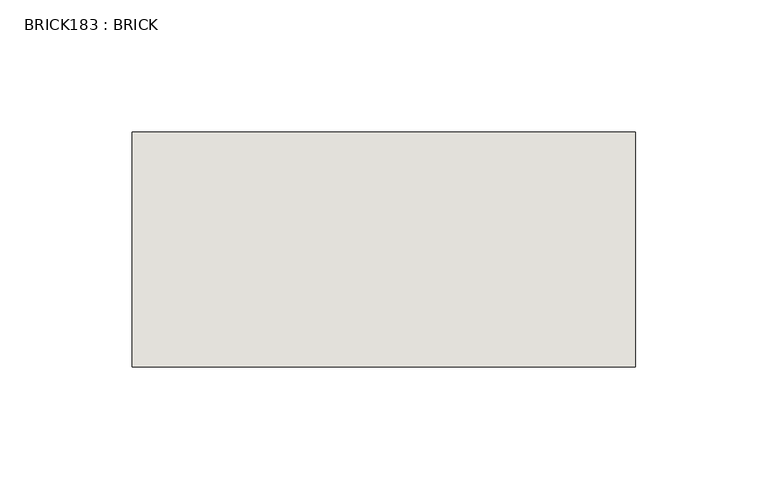
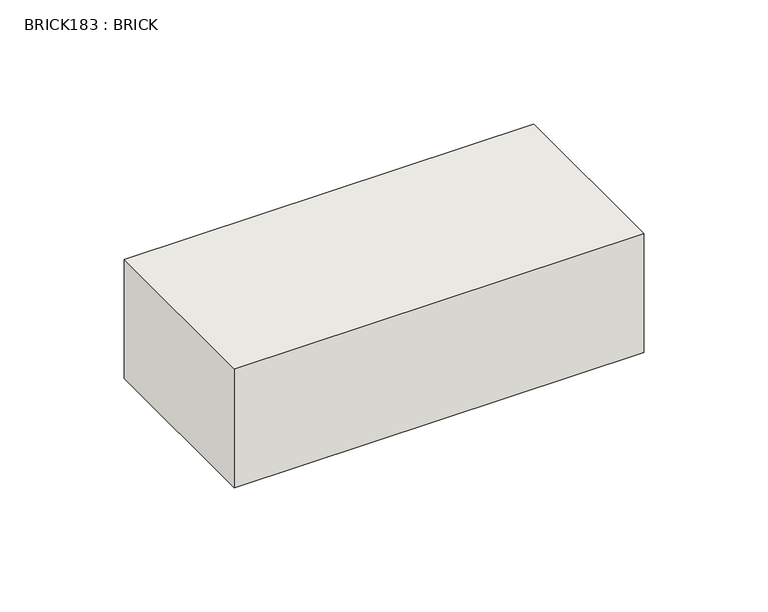
"""IFC4 building model written with IfcOpenShell, lengths in millimetres: wall geometry, BRICK183 : BRICK."""

import ifcopenshell
import ifcopenshell.guid

model = None  # the IFC model being written
_history = None  # IfcOwnerHistory: only IFC2X3 demands one
_inside = {}  # id of a spatial element -> (the spatial element, [elements in it])
_under = {}  # id of a project, library or spatial element -> (it, [spatial elements below it])
_declared = {}  # id of a project -> (the project, [libraries it declares])
_typed = {}  # id of a type object -> (the type object, [elements of that type])
_made_of = {}  # id of a material, layer set ... -> (it, [elements and type objects made of it])


def new_model(schema):
    """Start an empty IFC model of exactly this schema.

    Asked for "IFC4X3", IfcOpenShell would pick the latest addendum, in which some entities
    have other attributes; the version numbers below select the first issue.
    IFC2X3 requires an IfcOwnerHistory on every rooted entity: one is made here for all.
    """
    global model, _history
    if schema == "IFC4X3":
        model = ifcopenshell.file(schema_version=(4, 3, 0, 0))
    else:
        model = ifcopenshell.file(schema=schema)
    _inside.clear()
    _under.clear()
    _declared.clear()
    _typed.clear()
    _made_of.clear()
    _history = None
    if model.schema == "IFC2X3":
        org = make("IfcOrganization", Name="unknown")
        user = make(
            "IfcPersonAndOrganization",
            ThePerson=make("IfcPerson", FamilyName="unknown"),
            TheOrganization=org,
        )
        app = make(
            "IfcApplication",
            ApplicationDeveloper=org,
            Version="unknown",
            ApplicationFullName="unknown",
            ApplicationIdentifier="unknown",
        )
        _history = make(
            "IfcOwnerHistory",
            OwningUser=user,
            OwningApplication=app,
            ChangeAction="ADDED",
            CreationDate=0,
        )
    return model


def make(cls, **values):
    """One entity of the class cls with the attributes given. An attribute that is None is left unset."""
    return model.create_entity(
        cls, **{name: value for name, value in values.items() if value is not None}
    )


def rooted(cls, **values):
    """An entity with a GlobalId (a new one), such as an element, a storey or a relation."""
    return make(cls, GlobalId=ifcopenshell.guid.new(), OwnerHistory=_history, **values)


def si_unit(unit_type, name, prefix=None):
    """IfcSIUnit, for example si_unit("LENGTHUNIT", "METRE", prefix="MILLI")."""
    return make("IfcSIUnit", UnitType=unit_type, Prefix=prefix, Name=name)


def assignment(units):
    """IfcUnitAssignment: the units of a project."""
    return None if units is None else make("IfcUnitAssignment", Units=units)


def point(xyz):
    """IfcCartesianPoint."""
    return None if xyz is None else make("IfcCartesianPoint", Coordinates=xyz)


def direction(xyz):
    """IfcDirection."""
    return None if xyz is None else make("IfcDirection", DirectionRatios=xyz)


def frame(location, z_axis=None, x_axis=None):
    """IfcAxis2Placement3D, a coordinate frame: its origin and axes. An axis left out is left unset."""
    return make(
        "IfcAxis2Placement3D",
        Location=point(location),
        Axis=direction(z_axis),
        RefDirection=direction(x_axis),
    )


def origin():
    """The frame at (0, 0, 0) with its axes left unset."""
    return frame((0.0, 0.0, 0.0))


def place(relative_to, where):
    """IfcLocalPlacement: puts the frame where relative to a parent placement (None: the world)."""
    return make(
        "IfcLocalPlacement", PlacementRelTo=relative_to, RelativePlacement=where
    )


def context(
    kind, dimensions, precision=None, world=None, true_north=None, identifier=None
):
    """IfcGeometricRepresentationContext, for example the 3D "Model" context."""
    return make(
        "IfcGeometricRepresentationContext",
        ContextIdentifier=identifier,
        ContextType=kind,
        CoordinateSpaceDimension=dimensions,
        Precision=precision,
        WorldCoordinateSystem=world,
        TrueNorth=true_north,
    )


def project(units=None, contexts=None):
    """IfcProject with its units and contexts."""
    return rooted(
        "IfcProject",
        Name="project",
        RepresentationContexts=contexts,
        UnitsInContext=assignment(units),
    )


def spatial(cls, under=None, at=None, **own):
    """A site, building, storey or space (cls), placed at a placement, below another one or the project."""
    s = rooted(cls, ObjectPlacement=at, **own)
    if under is not None:
        _under.setdefault(under.id(), (under, []))[1].append(s)
    return s


def polyline(points):
    """IfcPolyline through the points."""
    return make("IfcPolyline", Points=[point(p) for p in points])


def outline(outer, holes=None, kind="AREA"):
    """IfcArbitraryClosedProfileDef: a profile drawn as a closed curve; with holes, ...WithVoids."""
    if holes is None:
        return make("IfcArbitraryClosedProfileDef", ProfileType=kind, OuterCurve=outer)
    return make(
        "IfcArbitraryProfileDefWithVoids",
        ProfileType=kind,
        OuterCurve=outer,
        InnerCurves=holes,
    )


def extrude(swept, where, along, depth):
    """IfcExtrudedAreaSolid: the profile swept, set in the frame where, extruded along a direction by depth."""
    return make(
        "IfcExtrudedAreaSolid",
        SweptArea=swept,
        Position=where,
        ExtrudedDirection=direction(along),
        Depth=depth,
    )


def shape(context_of_items, identifier, shape_type, items):
    """IfcShapeRepresentation: the items that make up one representation, for example the "Body"."""
    return make(
        "IfcShapeRepresentation",
        ContextOfItems=context_of_items,
        RepresentationIdentifier=identifier,
        RepresentationType=shape_type,
        Items=items,
    )


def source(mapping_origin, context_of_items, identifier, shape_type, items):
    """IfcRepresentationMap: a shape defined once, which mapped items show again and again."""
    return make(
        "IfcRepresentationMap",
        MappingOrigin=mapping_origin,
        MappedRepresentation=shape(context_of_items, identifier, shape_type, items),
    )


def transform(
    local_origin,
    x_axis=None,
    y_axis=None,
    z_axis=None,
    scale=None,
    scale2=None,
    scale3=None,
    uniform=True,
):
    """IfcCartesianTransformationOperator3D, or its non-uniform kind. x_axis, y_axis, z_axis: its Axis1, 2, 3."""
    if uniform:
        return make(
            "IfcCartesianTransformationOperator3D",
            Axis1=direction(x_axis),
            Axis2=direction(y_axis),
            LocalOrigin=point(local_origin),
            Scale=scale,
            Axis3=direction(z_axis),
        )
    return make(
        "IfcCartesianTransformationOperator3DnonUniform",
        Axis1=direction(x_axis),
        Axis2=direction(y_axis),
        LocalOrigin=point(local_origin),
        Scale=scale,
        Axis3=direction(z_axis),
        Scale2=scale2,
        Scale3=scale3,
    )


def mapped(mapping_source, mapping_target):
    """IfcMappedItem: shows the shape of a source again, moved by a transform."""
    return make(
        "IfcMappedItem", MappingSource=mapping_source, MappingTarget=mapping_target
    )


def made_of(thing, what):
    """Note that an element or type object is made of a material, layer set ...; save() writes the relation."""
    if what is not None:
        _made_of.setdefault(what.id(), (what, []))[1].append(thing)
    return thing


def element(
    cls,
    number,
    at=None,
    inside=None,
    cuts=None,
    type_object=None,
    material=None,
    context=None,
    identifier="Body",
    shape_type=None,
    held_by="IfcProductDefinitionShape",
    body=None,
    shapes=None,
    **own,
):
    """One element of the class cls, such as IfcWall. Its Tag is "e" and its number.

    at: its placement. inside: the storey or other place that contains it. cuts: it is an
    opening in that element (IfcRelVoidsElement). A single representation is given by context,
    identifier, shape_type and body (its items); several are given by shapes. held_by: the class
    of the entity that holds the representations. save() writes the other relations.
    """
    e = rooted(cls, Tag="e%d" % number, ObjectPlacement=at, **own)
    if body is not None:
        shapes = [shape(context, identifier, shape_type, body)]
    if shapes is not None:
        e.Representation = make(held_by, Representations=shapes)
    if inside is not None:
        _inside.setdefault(inside.id(), (inside, []))[1].append(e)
    if cuts is not None:
        rooted(
            "IfcRelVoidsElement", RelatingBuildingElement=cuts, RelatedOpeningElement=e
        )
    if type_object is not None:
        _typed.setdefault(type_object.id(), (type_object, []))[1].append(e)
    return made_of(e, material)


def aggregate(whole, parts):
    """IfcRelAggregates: a whole, such as a stair, and the parts it consists of."""
    return rooted("IfcRelAggregates", RelatingObject=whole, RelatedObjects=parts)


def save(model, path):
    """Write the relations noted so far, then the file.

    IfcRelAggregates (storeys below a building ...), IfcRelContainedInSpatialStructure (elements
    in a storey), IfcRelDefinesByType, IfcRelAssociatesMaterial and IfcRelDeclares: one each for
    every whole, place, type object, material and project.
    """
    for whole, parts in _under.values():
        aggregate(whole, parts)
    for where, things in _inside.values():
        rooted(
            "IfcRelContainedInSpatialStructure",
            RelatedElements=things,
            RelatingStructure=where,
        )
    for kind, things in _typed.values():
        rooted("IfcRelDefinesByType", RelatedObjects=things, RelatingType=kind)
    for what, things in _made_of.values():
        rooted("IfcRelAssociatesMaterial", RelatedObjects=things, RelatingMaterial=what)
    for by, libraries in _declared.values():
        rooted("IfcRelDeclares", RelatingContext=by, RelatedDefinitions=libraries)
    model.write(path)


def brick183_brick_ed59ea63(model_context):
    return source(origin(), model_context, "Body", "SweptSolid", [
        extrude(outline(polyline([(-362.3316239, 3062.3923312), (-171.8316239, 3062.3923312), (-171.8316239, 2973.4923312), (-362.3316239, 2973.4923312), (-362.3316239, 3062.3923312)])), frame((0.0, 0.0, 353.7148438), z_axis=(0.0, 0.0, 1.0), x_axis=(1.0, 0.0, 0.0)), (0.0, 0.0, 1.0), 58.4398437),
    ])


if __name__ == "__main__":
    model = new_model("IFC4")
    model_context = context("Model", 3, world=origin())
    ifc_project = project(units=[si_unit("LENGTHUNIT", "METRE", prefix="MILLI")], contexts=[model_context])
    site = spatial("IfcSite", under=ifc_project)
    building = spatial("IfcBuilding", under=site)
    placement = place(None, origin())
    brick183_brick_shape = brick183_brick_ed59ea63(model_context)
    element("IfcWall", 1, ObjectType="BRICK183 : BRICK", at=placement, inside=building, context=model_context, shape_type="MappedRepresentation", body=[
        mapped(brick183_brick_shape, transform((0.0, 0.0, 0.0), x_axis=(1.0, 0.0, 0.0), y_axis=(0.0, 1.0, 0.0), z_axis=(0.0, 0.0, 1.0))),
    ])
    save(model, "model.ifc")
